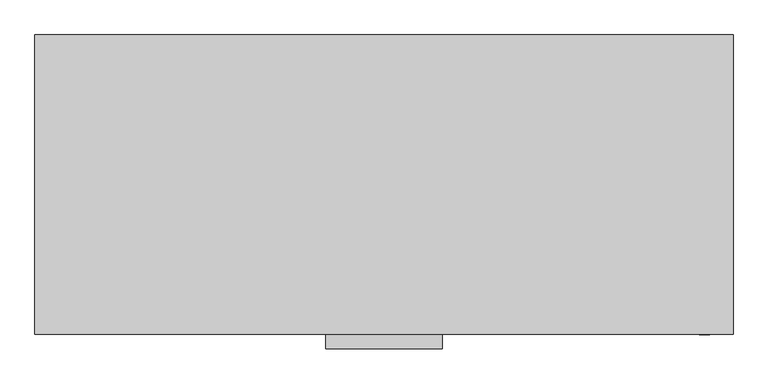
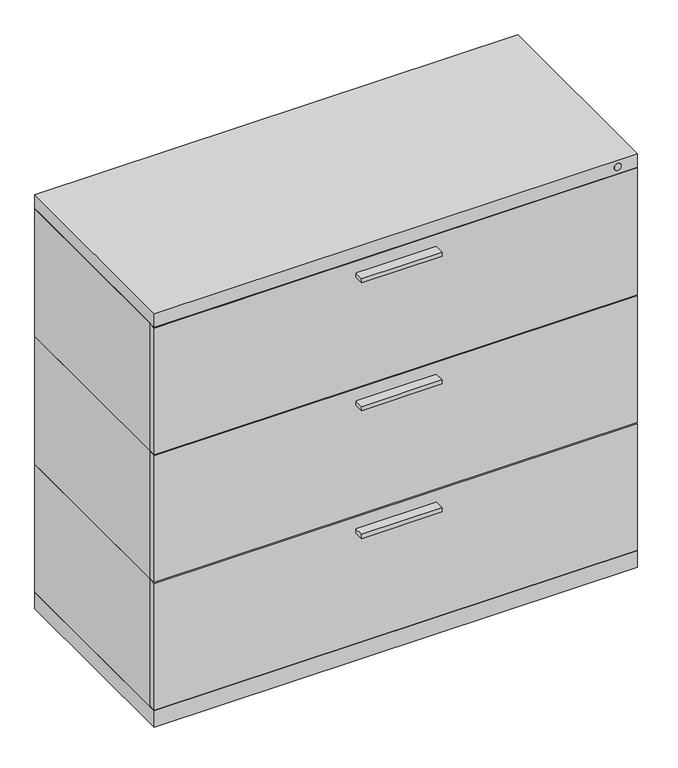
"""IFC4 building model written with IfcOpenShell, lengths in millimetres: furniture geometry."""

from ifc_helpers import new_model, si_unit, point, frame, frame_2d, origin, origin_with_axes, place, context, project, spatial, polyline, circle_curve, trimmed, segment, composite_curve, outline, extrude, source, transform, mapped, element, save


def furniture_1bdaebfe(model_context):
    return source(origin(), model_context, "Body", "SweptSolid", [
        extrude(outline(polyline([(533.4, -211.9376), (533.4, -228.6), (-533.4, -228.6), (-533.4, -211.9376), (533.4, -211.9376)])), frame((0.0, 0.0, 636.5875), z_axis=(0.0, 0.0, 1.0), x_axis=(1.0, 0.0, 0.0)), (0.0, 0.0, 1.0), 295.2877),
        extrude(outline(polyline([(533.4, 228.6), (533.4, -211.9376), (-533.4, -211.9376), (-533.4, 228.6), (533.4, 228.6)])), frame((0.0, 0.0, 635.0), z_axis=(0.0, 0.0, 1.0), x_axis=(1.0, 0.0, 0.0)), (0.0, 0.0, 1.0), 298.45),
        extrude(outline(polyline([(-88.9, -228.6), (88.9, -228.6), (88.9, -250.825), (-88.9, -250.825), (-88.9, -228.6)])), frame((0.0, 0.0, 895.35), z_axis=(0.0, 0.0, 1.0), x_axis=(1.0, 0.0, 0.0)), (0.0, 0.0, 1.0), 9.525),
        extrude(outline(polyline([(533.4, -211.9376), (533.4, -228.6), (-533.4, -228.6), (-533.4, -211.9376), (533.4, -211.9376)])), frame((0.0, 0.0, 338.1375), z_axis=(0.0, 0.0, 1.0), x_axis=(1.0, 0.0, 0.0)), (0.0, 0.0, 1.0), 295.2877),
        extrude(outline(polyline([(533.4, 228.6), (533.4, -211.9376), (-533.4, -211.9376), (-533.4, 228.6), (533.4, 228.6)])), frame((0.0, 0.0, 336.55), z_axis=(0.0, 0.0, 1.0), x_axis=(1.0, 0.0, 0.0)), (0.0, 0.0, 1.0), 298.45),
        extrude(outline(polyline([(-88.9, -228.6), (88.9, -228.6), (88.9, -250.825), (-88.9, -250.825), (-88.9, -228.6)])), frame((0.0, 0.0, 596.9), z_axis=(0.0, 0.0, 1.0), x_axis=(1.0, 0.0, 0.0)), (0.0, 0.0, 1.0), 9.525),
        extrude(outline(polyline([(533.4, -211.9376), (533.4, -228.6), (-533.4, -228.6), (-533.4, -211.9376), (533.4, -211.9376)])), frame((0.0, 0.0, 39.6875), z_axis=(0.0, 0.0, 1.0), x_axis=(1.0, 0.0, 0.0)), (0.0, 0.0, 1.0), 295.2877),
        extrude(outline(polyline([(533.4, 228.6), (533.4, -211.9376), (-533.4, -211.9376), (-533.4, 228.6), (533.4, 228.6)])), frame((0.0, 0.0, 38.1), z_axis=(0.0, 0.0, 1.0), x_axis=(1.0, 0.0, 0.0)), (0.0, 0.0, 1.0), 298.45),
        extrude(outline(polyline([(-88.9, -228.6), (88.9, -228.6), (88.9, -250.825), (-88.9, -250.825), (-88.9, -228.6)])), frame((0.0, 0.0, 298.45), z_axis=(0.0, 0.0, 1.0), x_axis=(1.0, 0.0, 0.0)), (0.0, 0.0, 1.0), 9.525),
        extrude(outline(polyline([(533.4, 228.6), (533.4, -228.6), (-533.4, -228.6), (-533.4, 228.6), (533.4, 228.6)])), frame((0.0, 0.0, 933.45), z_axis=(0.0, 0.0, 1.0), x_axis=(1.0, 0.0, 0.0)), (0.0, 0.0, 1.0), 31.75),
        extrude(outline(polyline([(533.4, 228.6), (533.4, -228.6), (-533.4, -228.6), (-533.4, 228.6), (533.4, 228.6)])), origin_with_axes(), (0.0, 0.0, 1.0), 38.1),
        extrude(outline(composite_curve([segment(trimmed(circle_curve(frame_2d((950.1505, 489.74248)), 8.001), [point((950.1505, 497.74348))], [point((950.1505, 481.74148))], False, "CARTESIAN"), True, "CONTINUOUS"), segment(trimmed(circle_curve(frame_2d((950.1505, 489.74248)), 8.001), [point((950.1505, 481.74148))], [point((950.1505, 497.74348))], False, "CARTESIAN"), True, "CONTINUOUS")], self_intersect=False)), frame((0.0, -229.39502, 0.0), z_axis=(0.0, 1.0, 0.0), x_axis=(0.0, 0.0, 1.0)), (0.0, 0.0, 1.0), 0.79502),
    ])


if __name__ == "__main__":
    model = new_model("IFC4")
    model_context = context("Model", 3, world=origin())
    ifc_project = project(units=[si_unit("LENGTHUNIT", "METRE", prefix="MILLI")], contexts=[model_context])
    site = spatial("IfcSite", under=ifc_project)
    building = spatial("IfcBuilding", under=site)
    placement = place(None, origin())
    furniture_shape = furniture_1bdaebfe(model_context)
    element("IfcFurniture", 1, at=placement, inside=building, context=model_context, shape_type="MappedRepresentation", body=[
        mapped(furniture_shape, transform((0.0, 0.0, 0.0), x_axis=(1.0, 0.0, 0.0), y_axis=(0.0, 1.0, 0.0), z_axis=(0.0, 0.0, 1.0))),
    ])
    save(model, "model.ifc")
